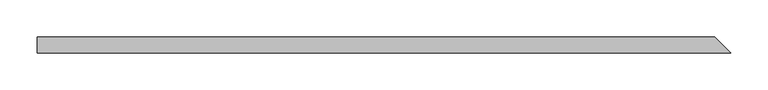
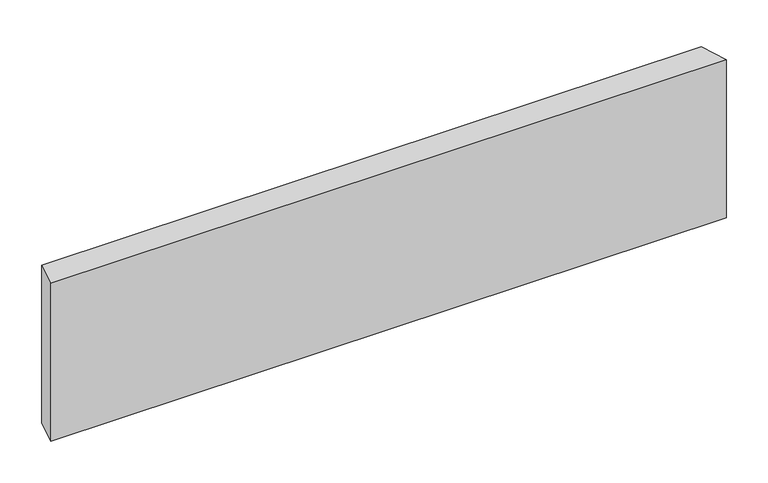
"""IFC4 building model written with IfcOpenShell, lengths in millimetres: beam geometry."""

from ifc_helpers import new_model, si_unit, origin, place, context, project, spatial, faceted_brep, source, transform, mapped, element, save


def beam_d03e952a(model_context):
    return source(origin(), model_context, "Body", "Brep", [
        faceted_brep([(473.3931272, -11.0, 109.3536999), (-462.3931272, -11.0, 109.3536999), (-462.3931272, -11.0, -122.1870332), (473.3931272, -11.0, -122.1870332), (451.3931272, 11.0, 122.1870332), (451.3931272, 11.0, -109.3536999), (-462.3931272, 11.0, -109.3536999), (-462.3931272, 11.0, 122.1870332)], [[[0, 1, 2, 3]], [[4, 5, 6, 7]], [[5, 4, 0, 3]], [[6, 5, 3, 2]], [[7, 6, 2, 1]], [[4, 7, 1, 0]]]),
    ])


if __name__ == "__main__":
    model = new_model("IFC4")
    model_context = context("Model", 3, world=origin())
    ifc_project = project(units=[si_unit("LENGTHUNIT", "METRE", prefix="MILLI")], contexts=[model_context])
    site = spatial("IfcSite", under=ifc_project)
    building = spatial("IfcBuilding", under=site)
    placement = place(None, origin())
    beam_shape = beam_d03e952a(model_context)
    element("IfcBeam", 1, at=placement, inside=building, context=model_context, shape_type="MappedRepresentation", body=[
        mapped(beam_shape, transform((0.0, 0.0, 0.0), x_axis=(1.0, 0.0, 0.0), y_axis=(0.0, 1.0, 0.0), z_axis=(0.0, 0.0, 1.0))),
    ])
    save(model, "model.ifc")
